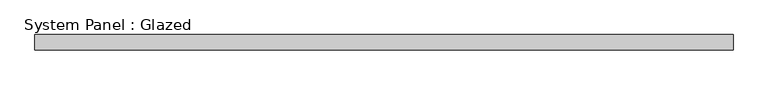
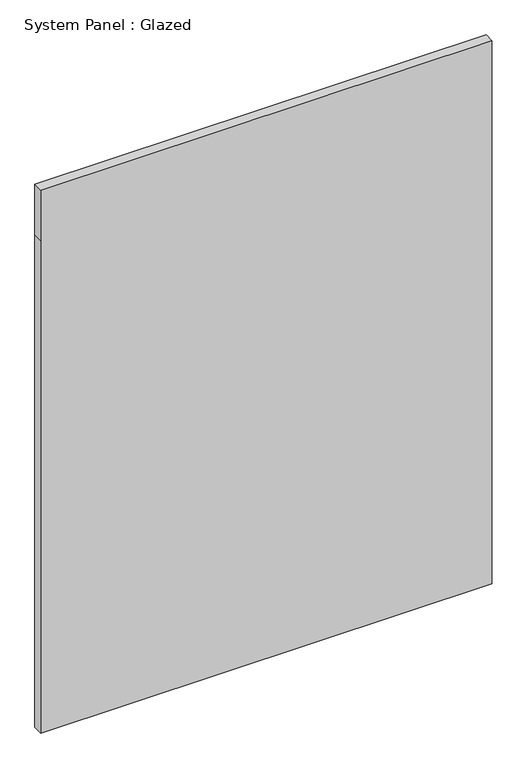
"""IFC4 building model written with IfcOpenShell, lengths in millimetres: plate geometry, System Panel : Glazed."""

from ifc_helpers import new_model, si_unit, frame, origin, place, context, project, spatial, polyline, outline, extrude, source, transform, mapped, element, save


def system_panel_glazed_6524779f(model_context):
    return source(origin(), model_context, "Body", "SweptSolid", [
        extrude(outline(polyline([(0.0, -570.0), (0.0, 570.0), (1315.0, 570.0), (1450.0, 570.0), (1450.0, -570.0), (1315.0, -570.0), (0.0, -570.0)])), frame((0.0, 24.5, 0.0), z_axis=(0.0, 1.0, 0.0), x_axis=(0.0, 0.0, 1.0)), (0.0, 0.0, 1.0), 25.0),
    ])


if __name__ == "__main__":
    model = new_model("IFC4")
    model_context = context("Model", 3, world=origin())
    ifc_project = project(units=[si_unit("LENGTHUNIT", "METRE", prefix="MILLI")], contexts=[model_context])
    site = spatial("IfcSite", under=ifc_project)
    building = spatial("IfcBuilding", under=site)
    placement = place(None, origin())
    system_panel_glazed_shape = system_panel_glazed_6524779f(model_context)
    element("IfcPlate", 1, ObjectType="System Panel : Glazed", at=placement, inside=building, context=model_context, shape_type="MappedRepresentation", body=[
        mapped(system_panel_glazed_shape, transform((0.0, 0.0, 0.0), x_axis=(1.0, 0.0, 0.0), y_axis=(0.0, 1.0, 0.0), z_axis=(0.0, 0.0, 1.0))),
    ])
    save(model, "model.ifc")
